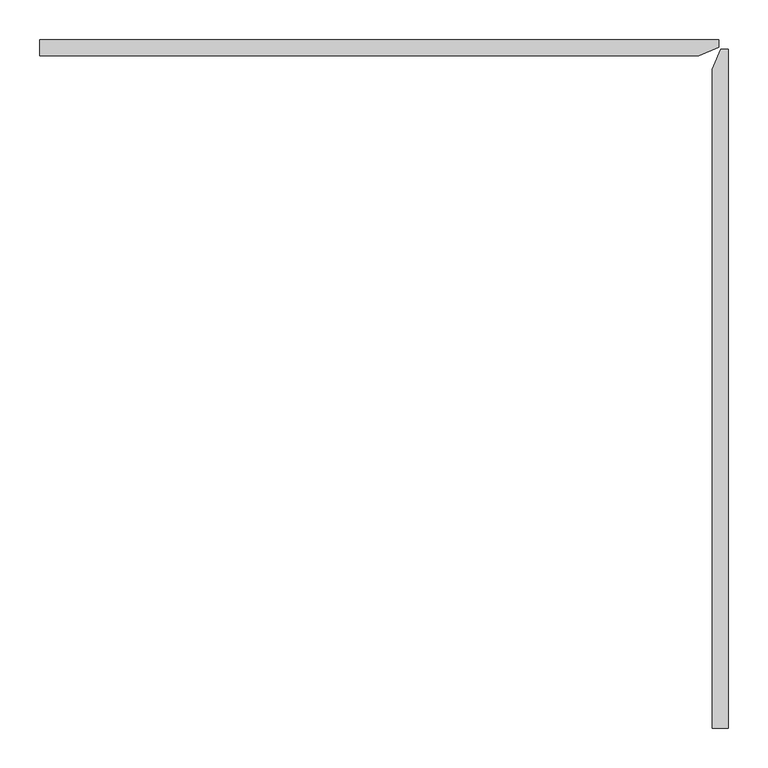
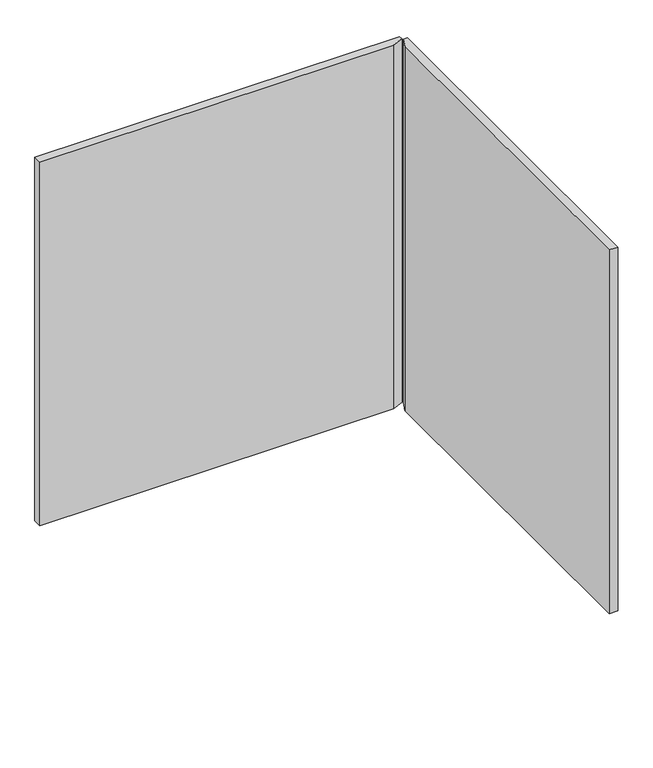
"""IFC4 building model written with IfcOpenShell, lengths in millimetres: furniture geometry."""

from ifc_helpers import new_model, si_unit, frame, origin, place, context, project, spatial, polyline, outline, extrude, source, transform, mapped, element, save


def furniture_c92c95c6(model_context):
    return source(origin(), model_context, "Body", "SweptSolid", [
        extrude(outline(polyline([(0.4499988, 44.5440062), (859.1000324, 44.5440062), (859.1000324, 35.0190062), (833.4568302, 23.9700054), (0.4499988, 23.9700054), (0.4499988, 44.5440062)])), frame((0.0, 0.0, 139.700003), z_axis=(0.0, 0.0, 1.0), x_axis=(1.0, 0.0, 0.0)), (0.0, 0.0, 1.0), 904.697197),
        extrude(outline(polyline([(861.5490108, 32.5700051), (871.0740108, 32.5700051), (871.0740108, -826.0800276), (850.499976, -826.0800276), (850.499976, 6.9268346), (861.5490108, 32.5700051)])), frame((0.0, 0.0, 139.700003), z_axis=(0.0, 0.0, 1.0), x_axis=(1.0, 0.0, 0.0)), (0.0, 0.0, 1.0), 904.697197),
    ])


if __name__ == "__main__":
    model = new_model("IFC4")
    model_context = context("Model", 3, world=origin())
    ifc_project = project(units=[si_unit("LENGTHUNIT", "METRE", prefix="MILLI")], contexts=[model_context])
    site = spatial("IfcSite", under=ifc_project)
    building = spatial("IfcBuilding", under=site)
    placement = place(None, origin())
    furniture_shape = furniture_c92c95c6(model_context)
    element("IfcFurniture", 1, at=placement, inside=building, context=model_context, shape_type="MappedRepresentation", body=[
        mapped(furniture_shape, transform((0.0, 0.0, 0.0), x_axis=(1.0, 0.0, 0.0), y_axis=(0.0, 1.0, 0.0), z_axis=(0.0, 0.0, 1.0))),
    ])
    save(model, "model.ifc")
